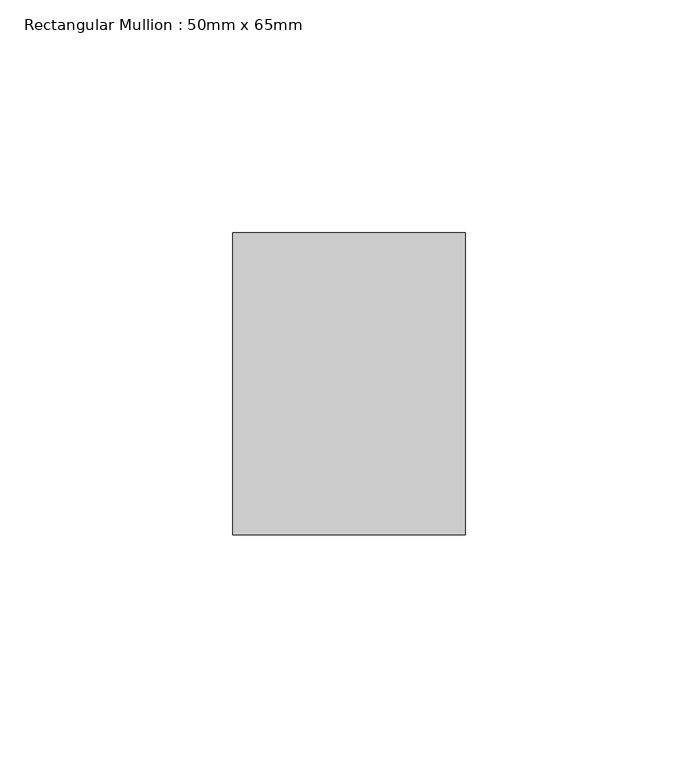
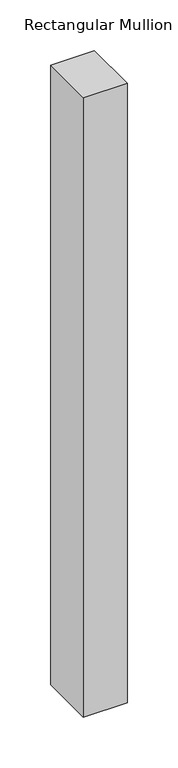
"""IFC4 building model written with IfcOpenShell, lengths in millimetres: member geometry, Rectangular Mullion : 50mm x 65mm."""

import ifcopenshell
import ifcopenshell.guid

model = None  # the IFC model being written
_history = None  # IfcOwnerHistory: only IFC2X3 demands one
_inside = {}  # id of a spatial element -> (the spatial element, [elements in it])
_under = {}  # id of a project, library or spatial element -> (it, [spatial elements below it])
_declared = {}  # id of a project -> (the project, [libraries it declares])
_typed = {}  # id of a type object -> (the type object, [elements of that type])
_made_of = {}  # id of a material, layer set ... -> (it, [elements and type objects made of it])


def new_model(schema):
    """Start an empty IFC model of exactly this schema.

    Asked for "IFC4X3", IfcOpenShell would pick the latest addendum, in which some entities
    have other attributes; the version numbers below select the first issue.
    IFC2X3 requires an IfcOwnerHistory on every rooted entity: one is made here for all.
    """
    global model, _history
    if schema == "IFC4X3":
        model = ifcopenshell.file(schema_version=(4, 3, 0, 0))
    else:
        model = ifcopenshell.file(schema=schema)
    _inside.clear()
    _under.clear()
    _declared.clear()
    _typed.clear()
    _made_of.clear()
    _history = None
    if model.schema == "IFC2X3":
        org = make("IfcOrganization", Name="unknown")
        user = make(
            "IfcPersonAndOrganization",
            ThePerson=make("IfcPerson", FamilyName="unknown"),
            TheOrganization=org,
        )
        app = make(
            "IfcApplication",
            ApplicationDeveloper=org,
            Version="unknown",
            ApplicationFullName="unknown",
            ApplicationIdentifier="unknown",
        )
        _history = make(
            "IfcOwnerHistory",
            OwningUser=user,
            OwningApplication=app,
            ChangeAction="ADDED",
            CreationDate=0,
        )
    return model


def make(cls, **values):
    """One entity of the class cls with the attributes given. An attribute that is None is left unset."""
    return model.create_entity(
        cls, **{name: value for name, value in values.items() if value is not None}
    )


def rooted(cls, **values):
    """An entity with a GlobalId (a new one), such as an element, a storey or a relation."""
    return make(cls, GlobalId=ifcopenshell.guid.new(), OwnerHistory=_history, **values)


def si_unit(unit_type, name, prefix=None):
    """IfcSIUnit, for example si_unit("LENGTHUNIT", "METRE", prefix="MILLI")."""
    return make("IfcSIUnit", UnitType=unit_type, Prefix=prefix, Name=name)


def assignment(units):
    """IfcUnitAssignment: the units of a project."""
    return None if units is None else make("IfcUnitAssignment", Units=units)


def point(xyz):
    """IfcCartesianPoint."""
    return None if xyz is None else make("IfcCartesianPoint", Coordinates=xyz)


def direction(xyz):
    """IfcDirection."""
    return None if xyz is None else make("IfcDirection", DirectionRatios=xyz)


def frame(location, z_axis=None, x_axis=None):
    """IfcAxis2Placement3D, a coordinate frame: its origin and axes. An axis left out is left unset."""
    return make(
        "IfcAxis2Placement3D",
        Location=point(location),
        Axis=direction(z_axis),
        RefDirection=direction(x_axis),
    )


def origin():
    """The frame at (0, 0, 0) with its axes left unset."""
    return frame((0.0, 0.0, 0.0))


def place(relative_to, where):
    """IfcLocalPlacement: puts the frame where relative to a parent placement (None: the world)."""
    return make(
        "IfcLocalPlacement", PlacementRelTo=relative_to, RelativePlacement=where
    )


def context(
    kind, dimensions, precision=None, world=None, true_north=None, identifier=None
):
    """IfcGeometricRepresentationContext, for example the 3D "Model" context."""
    return make(
        "IfcGeometricRepresentationContext",
        ContextIdentifier=identifier,
        ContextType=kind,
        CoordinateSpaceDimension=dimensions,
        Precision=precision,
        WorldCoordinateSystem=world,
        TrueNorth=true_north,
    )


def project(units=None, contexts=None):
    """IfcProject with its units and contexts."""
    return rooted(
        "IfcProject",
        Name="project",
        RepresentationContexts=contexts,
        UnitsInContext=assignment(units),
    )


def spatial(cls, under=None, at=None, **own):
    """A site, building, storey or space (cls), placed at a placement, below another one or the project."""
    s = rooted(cls, ObjectPlacement=at, **own)
    if under is not None:
        _under.setdefault(under.id(), (under, []))[1].append(s)
    return s


def polyline(points):
    """IfcPolyline through the points."""
    return make("IfcPolyline", Points=[point(p) for p in points])


def outline(outer, holes=None, kind="AREA"):
    """IfcArbitraryClosedProfileDef: a profile drawn as a closed curve; with holes, ...WithVoids."""
    if holes is None:
        return make("IfcArbitraryClosedProfileDef", ProfileType=kind, OuterCurve=outer)
    return make(
        "IfcArbitraryProfileDefWithVoids",
        ProfileType=kind,
        OuterCurve=outer,
        InnerCurves=holes,
    )


def extrude(swept, where, along, depth):
    """IfcExtrudedAreaSolid: the profile swept, set in the frame where, extruded along a direction by depth."""
    return make(
        "IfcExtrudedAreaSolid",
        SweptArea=swept,
        Position=where,
        ExtrudedDirection=direction(along),
        Depth=depth,
    )


def shape(context_of_items, identifier, shape_type, items):
    """IfcShapeRepresentation: the items that make up one representation, for example the "Body"."""
    return make(
        "IfcShapeRepresentation",
        ContextOfItems=context_of_items,
        RepresentationIdentifier=identifier,
        RepresentationType=shape_type,
        Items=items,
    )


def source(mapping_origin, context_of_items, identifier, shape_type, items):
    """IfcRepresentationMap: a shape defined once, which mapped items show again and again."""
    return make(
        "IfcRepresentationMap",
        MappingOrigin=mapping_origin,
        MappedRepresentation=shape(context_of_items, identifier, shape_type, items),
    )


def transform(
    local_origin,
    x_axis=None,
    y_axis=None,
    z_axis=None,
    scale=None,
    scale2=None,
    scale3=None,
    uniform=True,
):
    """IfcCartesianTransformationOperator3D, or its non-uniform kind. x_axis, y_axis, z_axis: its Axis1, 2, 3."""
    if uniform:
        return make(
            "IfcCartesianTransformationOperator3D",
            Axis1=direction(x_axis),
            Axis2=direction(y_axis),
            LocalOrigin=point(local_origin),
            Scale=scale,
            Axis3=direction(z_axis),
        )
    return make(
        "IfcCartesianTransformationOperator3DnonUniform",
        Axis1=direction(x_axis),
        Axis2=direction(y_axis),
        LocalOrigin=point(local_origin),
        Scale=scale,
        Axis3=direction(z_axis),
        Scale2=scale2,
        Scale3=scale3,
    )


def mapped(mapping_source, mapping_target):
    """IfcMappedItem: shows the shape of a source again, moved by a transform."""
    return make(
        "IfcMappedItem", MappingSource=mapping_source, MappingTarget=mapping_target
    )


def made_of(thing, what):
    """Note that an element or type object is made of a material, layer set ...; save() writes the relation."""
    if what is not None:
        _made_of.setdefault(what.id(), (what, []))[1].append(thing)
    return thing


def element(
    cls,
    number,
    at=None,
    inside=None,
    cuts=None,
    type_object=None,
    material=None,
    context=None,
    identifier="Body",
    shape_type=None,
    held_by="IfcProductDefinitionShape",
    body=None,
    shapes=None,
    **own,
):
    """One element of the class cls, such as IfcWall. Its Tag is "e" and its number.

    at: its placement. inside: the storey or other place that contains it. cuts: it is an
    opening in that element (IfcRelVoidsElement). A single representation is given by context,
    identifier, shape_type and body (its items); several are given by shapes. held_by: the class
    of the entity that holds the representations. save() writes the other relations.
    """
    e = rooted(cls, Tag="e%d" % number, ObjectPlacement=at, **own)
    if body is not None:
        shapes = [shape(context, identifier, shape_type, body)]
    if shapes is not None:
        e.Representation = make(held_by, Representations=shapes)
    if inside is not None:
        _inside.setdefault(inside.id(), (inside, []))[1].append(e)
    if cuts is not None:
        rooted(
            "IfcRelVoidsElement", RelatingBuildingElement=cuts, RelatedOpeningElement=e
        )
    if type_object is not None:
        _typed.setdefault(type_object.id(), (type_object, []))[1].append(e)
    return made_of(e, material)


def aggregate(whole, parts):
    """IfcRelAggregates: a whole, such as a stair, and the parts it consists of."""
    return rooted("IfcRelAggregates", RelatingObject=whole, RelatedObjects=parts)


def save(model, path):
    """Write the relations noted so far, then the file.

    IfcRelAggregates (storeys below a building ...), IfcRelContainedInSpatialStructure (elements
    in a storey), IfcRelDefinesByType, IfcRelAssociatesMaterial and IfcRelDeclares: one each for
    every whole, place, type object, material and project.
    """
    for whole, parts in _under.values():
        aggregate(whole, parts)
    for where, things in _inside.values():
        rooted(
            "IfcRelContainedInSpatialStructure",
            RelatedElements=things,
            RelatingStructure=where,
        )
    for kind, things in _typed.values():
        rooted("IfcRelDefinesByType", RelatedObjects=things, RelatingType=kind)
    for what, things in _made_of.values():
        rooted("IfcRelAssociatesMaterial", RelatedObjects=things, RelatingMaterial=what)
    for by, libraries in _declared.values():
        rooted("IfcRelDeclares", RelatingContext=by, RelatedDefinitions=libraries)
    model.write(path)


def rectangular_mullion_50mm_x_65mm_997fc933(model_context):
    return source(origin(), model_context, "Body", "SweptSolid", [
        extrude(outline(polyline([(25.0, 32.5), (25.0, -32.5), (-25.0, -32.5), (-25.0, 32.5), (25.0, 32.5)])), frame((0.0, 0.0, -748.3579132), z_axis=(0.0, 0.0, 1.0), x_axis=(1.0, 0.0, 0.0)), (0.0, 0.0, 1.0), 748.3579132),
    ])


if __name__ == "__main__":
    model = new_model("IFC4")
    model_context = context("Model", 3, world=origin())
    ifc_project = project(units=[si_unit("LENGTHUNIT", "METRE", prefix="MILLI")], contexts=[model_context])
    site = spatial("IfcSite", under=ifc_project)
    building = spatial("IfcBuilding", under=site)
    placement = place(None, origin())
    rectangular_mullion_50mm_x_65mm_shape = rectangular_mullion_50mm_x_65mm_997fc933(model_context)
    element("IfcMember", 1, ObjectType="Rectangular Mullion : 50mm x 65mm", at=placement, inside=building, context=model_context, shape_type="MappedRepresentation", body=[
        mapped(rectangular_mullion_50mm_x_65mm_shape, transform((0.0, 0.0, 0.0), x_axis=(1.0, 0.0, 0.0), y_axis=(0.0, 1.0, 0.0), z_axis=(0.0, 0.0, 1.0))),
    ])
    save(model, "model.ifc")
